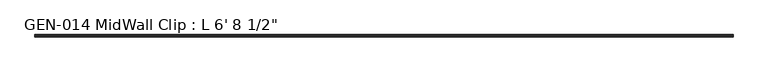
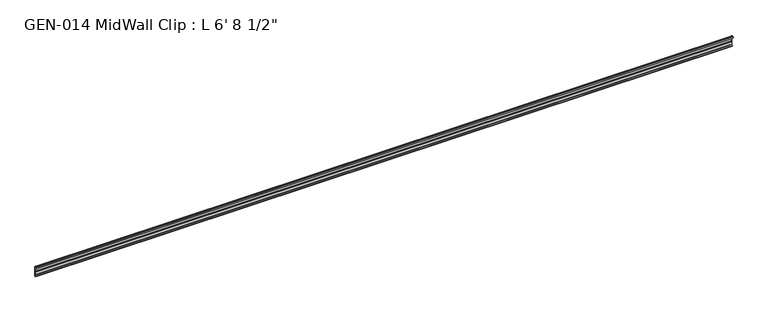
"""IFC4 building model written with IfcOpenShell, lengths in millimetres: proxy geometry."""

from ifc_helpers import new_model, si_unit, point, frame, frame_2d, origin, place, context, project, spatial, polyline, circle_curve, trimmed, segment, composite_curve, outline, extrude, source, transform, mapped, element, save


def proxy_7eee344f(model_context):
    return source(origin(), model_context, "Body", "SweptSolid", [
        extrude(outline(composite_curve([segment(polyline([(2.1386113, 32.1158903), (3.9735584, 32.6885982)]), True, "CONTINUOUS"), segment(trimmed(circle_curve(frame_2d((4.1838513, 32.2686835)), 0.4696291), [point((3.9735584, 32.6885982))], [point((4.6534804, 32.2686835))], False, "CARTESIAN"), True, "CONTINUOUS"), segment(polyline([(4.6534804, 32.2686835), (4.6534804, 30.7270734)]), True, "CONTINUOUS"), segment(trimmed(circle_curve(frame_2d((6.2409804, 30.7270734)), 1.5875), [point((4.6534804, 30.7270734))], [point((6.2409804, 29.1395734))], True, "CARTESIAN"), True, "CONTINUOUS"), segment(polyline([(6.2409804, 29.1395734), (7.5485426, 29.1395734), (7.5485426, 0.0), (4.055874, 0.0), (4.055874, 1.6102595)]), True, "CONTINUOUS"), segment(trimmed(circle_curve(frame_2d((4.0560426, 3.5152595)), 1.905), [point((4.055874, 1.6102595))], [point((5.9610426, 3.5152595))], True, "CARTESIAN"), True, "CONTINUOUS"), segment(polyline([(5.9610426, 3.5152595), (5.9610426, 4.6343152), (5.9610426, 12.4909614), (6.4702065, 13.408381), (6.4702065, 14.7485418), (5.9610426, 15.6659614), (5.9610426, 26.8535734)]), True, "CONTINUOUS"), segment(trimmed(circle_curve(frame_2d((5.4530426, 26.8535734)), 0.508), [point((5.9610426, 26.8535734))], [point((5.4361592, 27.3612928))], True, "CARTESIAN"), True, "CONTINUOUS"), segment(trimmed(circle_curve(frame_2d((5.4154804, 26.5995734)), 0.762), [point((5.4361592, 27.3612928))], [point((4.6764599, 26.4138515))], True, "CARTESIAN"), True, "CONTINUOUS"), segment(trimmed(circle_curve(frame_2d((4.1230664, 26.2747792)), 0.5706009), [point((4.6764599, 26.4138515))], [point((3.9349539, 25.7360779))], False, "CARTESIAN"), True, "CONTINUOUS"), segment(polyline([(3.9349539, 25.7360779), (2.1386113, 26.2967369)]), True, "CONTINUOUS"), segment(trimmed(circle_curve(frame_2d((3.0467234, 29.2063136)), 3.048), [point((2.1386113, 26.2967369))], [point((0.4447727, 30.7938136))], False, "CARTESIAN"), True, "CONTINUOUS"), segment(trimmed(circle_curve(frame_2d((3.0467234, 29.2063136)), 3.048), [point((0.4447727, 30.7938136))], [point((2.1386113, 32.1158903))], False, "CARTESIAN"), True, "CONTINUOUS")], self_intersect=False)), frame((-1739.9, 0.0, 0.0), z_axis=(1.0, 0.0, 0.0), x_axis=(0.0, 1.0, 0.0)), (0.0, 0.0, 1.0), 2044.7),
    ])


if __name__ == "__main__":
    model = new_model("IFC4")
    model_context = context("Model", 3, world=origin())
    ifc_project = project(units=[si_unit("LENGTHUNIT", "METRE", prefix="MILLI")], contexts=[model_context])
    site = spatial("IfcSite", under=ifc_project)
    building = spatial("IfcBuilding", under=site)
    placement = place(None, origin())
    proxy_shape = proxy_7eee344f(model_context)
    element("IfcBuildingElementProxy", 1, Name="GEN-014 MidWall Clip : L 6' 8 1/2\"", ObjectType="GEN-014 MidWall Clip : L 6' 8 1/2\"", at=placement, inside=building, context=model_context, shape_type="MappedRepresentation", body=[
        mapped(proxy_shape, transform((0.0, 0.0, 0.0), x_axis=(1.0, 0.0, 0.0), y_axis=(0.0, 1.0, 0.0), z_axis=(0.0, 0.0, 1.0))),
    ])
    save(model, "model.ifc")
